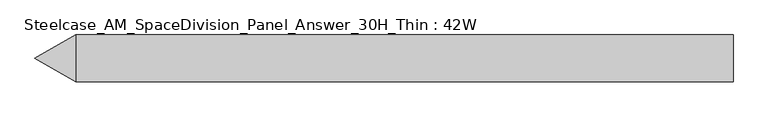
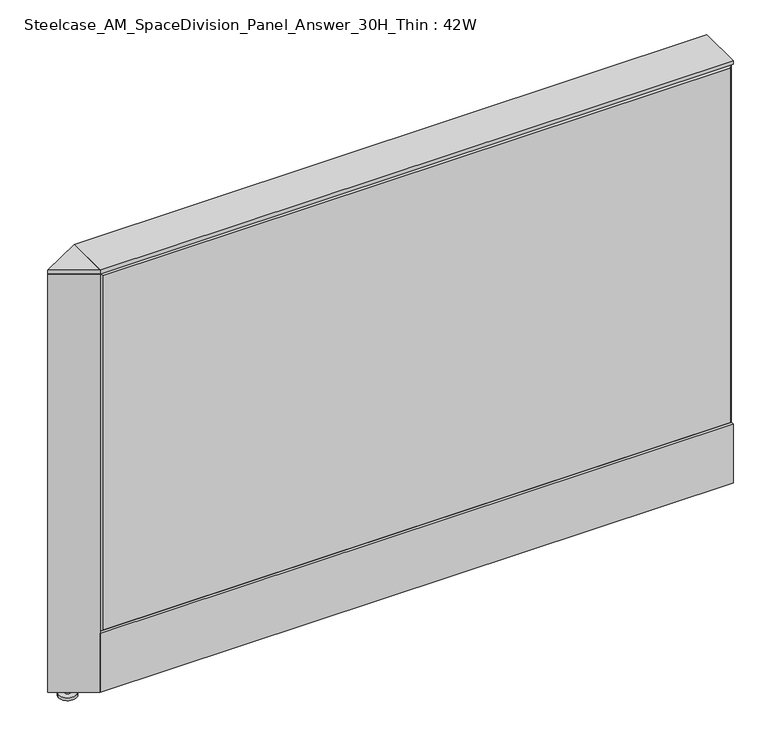
"""IFC4 building model written with IfcOpenShell, lengths in millimetres: furniture geometry, Steelcase_AM_SpaceDivision_Panel_Answer_30H_Thin : 42W."""

from ifc_helpers import new_model, si_unit, point, frame, frame_2d, origin, place, context, project, spatial, polyline, circle_curve, trimmed, segment, composite_curve, outline, extrude, faceted_brep, source, transform, mapped, element, save


def steelcase_am_spacedivision_panel_answer_30h_thin_42w_86b50e84(model_context):
    return source(origin(), model_context, "Body", "SolidModel", [
        extrude(outline(polyline([(37.3075215, 119.8575157), (25.4000011, 119.8575157), (25.4000011, 120.65), (38.1000194, 120.65), (38.1000194, 15.494), (37.3075215, 15.494), (37.3075215, 119.8575157)])), frame((-533.4, 0.0, 0.0), z_axis=(1.0, 0.0, 0.0), x_axis=(0.0, 1.0, 0.0)), (0.0, 0.0, 1.0), 1066.8),
        extrude(outline(polyline([(-37.3075215, 119.8575157), (-37.3075215, 15.494), (-38.1000194, 15.494), (-38.1000194, 120.65), (-25.4000011, 120.65), (-25.4000011, 119.8575157), (-37.3075215, 119.8575157)])), frame((-533.4, 0.0, 0.0), z_axis=(1.0, 0.0, 0.0), x_axis=(0.0, 1.0, 0.0)), (0.0, 0.0, 1.0), 1066.8),
        extrude(outline(composite_curve([segment(trimmed(circle_curve(frame_2d((-566.42, 0.0)), 5.08), [point((-571.5, 0.0))], [point((-561.34, 0.0))], False, "CARTESIAN"), True, "CONTINUOUS"), segment(trimmed(circle_curve(frame_2d((-566.42, 0.0)), 5.08), [point((-561.34, 0.0))], [point((-571.5, 0.0))], False, "CARTESIAN"), True, "CONTINUOUS")], self_intersect=False)), frame((0.0, 0.0, 5.0799671), z_axis=(0.0, 0.0, 1.0), x_axis=(1.0, 0.0, 0.0)), (0.0, 0.0, 1.0), 10.414),
        extrude(outline(composite_curve([segment(trimmed(circle_curve(frame_2d((-566.42, 0.0)), 15.24), [point((-581.66, 0.0))], [point((-551.18, 0.0))], False, "CARTESIAN"), True, "CONTINUOUS"), segment(trimmed(circle_curve(frame_2d((-566.42, 0.0)), 15.24), [point((-551.18, 0.0))], [point((-581.66, 0.0))], False, "CARTESIAN"), True, "CONTINUOUS")], self_intersect=False)), frame((0.0, 0.0, -3.29e-05), z_axis=(0.0, 0.0, 1.0), x_axis=(1.0, 0.0, 0.0)), (0.0, 0.0, 1.0), 5.08),
        extrude(outline(polyline([(-533.4, -38.0999806), (-599.3935144, 0.0), (-533.4, 38.0999806), (-533.4, -38.0999806)])), frame((0.0, 0.0, 761.9999671), z_axis=(0.0, 0.0, 1.0), x_axis=(1.0, 0.0, 0.0)), (0.0, 0.0, 1.0), 6.35),
        extrude(outline(polyline([(-533.4, 38.0999806), (-533.4, -38.0999806), (-599.3935144, 0.0), (-533.4, 38.0999806)])), frame((0.0, 0.0, 15.4939671), z_axis=(0.0, 0.0, 1.0), x_axis=(1.0, 0.0, 0.0)), (0.0, 0.0, 1.0), 746.506),
        faceted_brep([(528.574, 38.100001, 757.174), (528.574, 38.100001, 125.476), (-528.574, 38.100001, 125.476), (-528.574, 38.100001, 757.174), (533.4, 33.274001, 762.0), (-533.4, 33.274001, 762.0), (-533.4, 33.274001, 120.65), (533.4, 33.274001, 120.65)], [[[0, 1, 2, 3]], [[4, 5, 6, 7]], [[4, 0, 3, 5]], [[5, 3, 2, 6]], [[6, 2, 1, 7]], [[7, 1, 0, 4]]]),
        faceted_brep([(528.574, -38.100001, 757.174), (-528.574, -38.100001, 757.174), (-528.574, -38.100001, 125.476), (528.574, -38.100001, 125.476), (533.4, -33.274001, 762.0), (533.4, -33.274001, 120.65), (-533.4, -33.274001, 120.65), (-533.4, -33.274001, 762.0)], [[[0, 1, 2, 3]], [[4, 5, 6, 7]], [[4, 7, 1, 0]], [[7, 6, 2, 1]], [[6, 5, 3, 2]], [[5, 4, 0, 3]]]),
        extrude(outline(polyline([(533.4, 38.1000194), (533.4, -38.1000194), (-533.4, -38.1000194), (-533.4, 38.1000194), (533.4, 38.1000194)])), frame((0.0, 0.0, 762.0), z_axis=(0.0, 0.0, 1.0), x_axis=(1.0, 0.0, 0.0)), (0.0, 0.0, 1.0), 6.35),
    ])


if __name__ == "__main__":
    model = new_model("IFC4")
    model_context = context("Model", 3, world=origin())
    ifc_project = project(units=[si_unit("LENGTHUNIT", "METRE", prefix="MILLI")], contexts=[model_context])
    site = spatial("IfcSite", under=ifc_project)
    building = spatial("IfcBuilding", under=site)
    placement = place(None, origin())
    steelcase_am_spacedivision_panel_answer_30h_thin_42w_shape = steelcase_am_spacedivision_panel_answer_30h_thin_42w_86b50e84(model_context)
    element("IfcFurniture", 1, ObjectType="Steelcase_AM_SpaceDivision_Panel_Answer_30H_Thin : 42W", at=placement, inside=building, context=model_context, shape_type="MappedRepresentation", body=[
        mapped(steelcase_am_spacedivision_panel_answer_30h_thin_42w_shape, transform((0.0, 0.0, 0.0), x_axis=(1.0, 0.0, 0.0), y_axis=(0.0, 1.0, 0.0), z_axis=(0.0, 0.0, 1.0))),
    ])
    save(model, "model.ifc")
